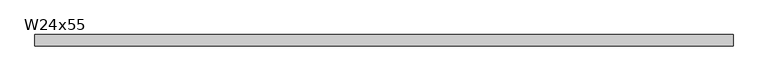
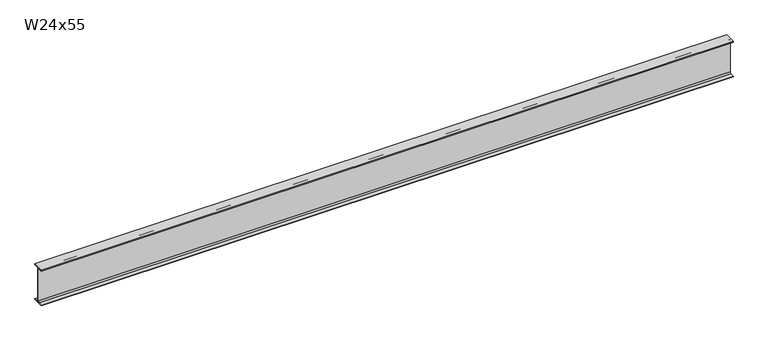
"""IFC4 building model written with IfcOpenShell, lengths in millimetres: beam geometry, W24x55."""

from ifc_helpers import new_model, si_unit, point, frame, frame_2d, origin, place, context, project, spatial, polyline, circle_curve, trimmed, segment, composite_curve, outline, extrude, source, transform, mapped, element, save


def w24x55_08ef2b23(model_context):
    return source(origin(), model_context, "Body", "SweptSolid", [
        extrude(outline(composite_curve([segment(polyline([(89.027, -286.893), (89.027, -299.72), (-89.027, -299.72), (-89.027, -286.893), (-28.702, -286.893)]), True, "CONTINUOUS"), segment(trimmed(circle_curve(frame_2d((-28.702, -263.2075)), 23.6855), [point((-28.702, -286.893))], [point((-5.0165, -263.2075))], True, "CARTESIAN"), True, "CONTINUOUS"), segment(polyline([(-5.0165, -263.2075), (-5.0165, 263.2075)]), True, "CONTINUOUS"), segment(trimmed(circle_curve(frame_2d((-28.702, 263.2075)), 23.6855), [point((-5.0165, 263.2075))], [point((-28.702, 286.893))], True, "CARTESIAN"), True, "CONTINUOUS"), segment(polyline([(-28.702, 286.893), (-89.027, 286.893), (-89.027, 299.72), (89.027, 299.72), (89.027, 286.893), (28.702, 286.893)]), True, "CONTINUOUS"), segment(trimmed(circle_curve(frame_2d((28.702, 263.2075)), 23.6855), [point((28.702, 286.893))], [point((5.0165, 263.2075))], True, "CARTESIAN"), True, "CONTINUOUS"), segment(polyline([(5.0165, 263.2075), (5.0165, -263.2075)]), True, "CONTINUOUS"), segment(trimmed(circle_curve(frame_2d((28.702, -263.2075)), 23.6855), [point((5.0165, -263.2075))], [point((28.702, -286.893))], True, "CARTESIAN"), True, "CONTINUOUS"), segment(polyline([(28.702, -286.893), (89.027, -286.893)]), True, "CONTINUOUS")], self_intersect=False)), frame((-5529.6134117, 0.0, 0.0), z_axis=(1.0, 0.0, 0.0), x_axis=(0.0, 1.0, 0.0)), (0.0, 0.0, 1.0), 11057.902253),
    ])


if __name__ == "__main__":
    model = new_model("IFC4")
    model_context = context("Model", 3, world=origin())
    ifc_project = project(units=[si_unit("LENGTHUNIT", "METRE", prefix="MILLI")], contexts=[model_context])
    site = spatial("IfcSite", under=ifc_project)
    building = spatial("IfcBuilding", under=site)
    placement = place(None, origin())
    w24x55_shape = w24x55_08ef2b23(model_context)
    element("IfcBeam", 1, ObjectType="W24x55", at=placement, inside=building, context=model_context, shape_type="MappedRepresentation", body=[
        mapped(w24x55_shape, transform((0.0, 0.0, 0.0), x_axis=(1.0, 0.0, 0.0), y_axis=(0.0, 1.0, 0.0), z_axis=(0.0, 0.0, 1.0))),
    ])
    save(model, "model.ifc")
